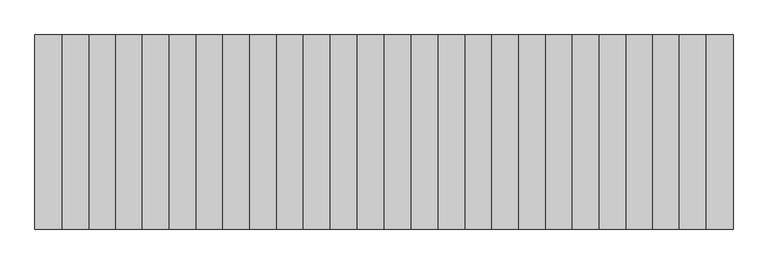
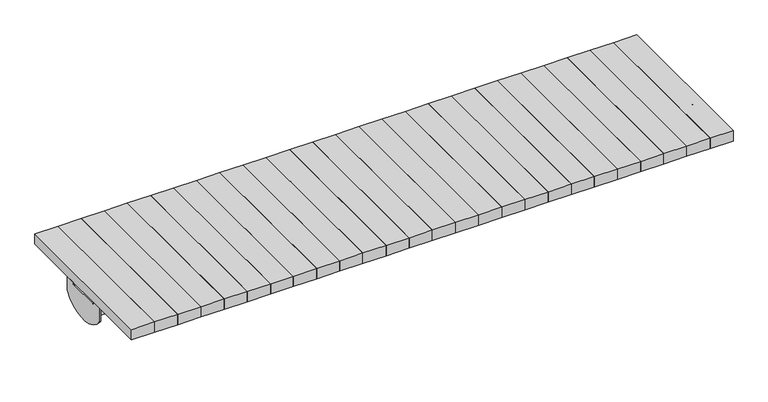
"""IFC4 building model written with IfcOpenShell, lengths in millimetres: furniture geometry."""

from ifc_helpers import new_model, si_unit, frame, origin, place, context, project, spatial, polyline, circle_curve, outline, extrude, source, transform, mapped, element, save
from ifc_brep_helpers import plane_surface, cylinder_surface, revolved_surface, advanced_brep


def furniture_fa175ec2(model_context):
    return source(origin(), model_context, "Body", "SolidModel", [
        extrude(outline(polyline([(83.1700951, 300.0), (83.1700951, -300.0), (0.0, -300.0), (0.0, 300.0), (83.1700951, 300.0)])), frame((0.0, 0.0, 400.6382749), z_axis=(0.0, 0.0, 1.0), x_axis=(1.0, 0.0, 0.0)), (0.0, 0.0, 1.0), 39.120575),
        extrude(outline(polyline([(165.5884938, 300.0), (165.5884938, -300.0), (83.1700951, -300.0), (83.1700951, 300.0), (165.5884938, 300.0)])), frame((0.0, 0.0, 400.6382749), z_axis=(0.0, 0.0, 1.0), x_axis=(1.0, 0.0, 0.0)), (0.0, 0.0, 1.0), 39.120575),
        extrude(outline(polyline([(249.0266735, 300.0), (249.0266735, -300.0), (165.5884938, -300.0), (165.5884938, 300.0), (249.0266735, 300.0)])), frame((0.0, 0.0, 400.6382749), z_axis=(0.0, 0.0, 1.0), x_axis=(1.0, 0.0, 0.0)), (0.0, 0.0, 1.0), 39.120575),
        extrude(outline(polyline([(331.8102592, 300.0), (331.8102592, -300.0), (249.0266735, -300.0), (249.0266735, 300.0), (331.8102592, 300.0)])), frame((0.0, 0.0, 400.6382749), z_axis=(0.0, 0.0, 1.0), x_axis=(1.0, 0.0, 0.0)), (0.0, 0.0, 1.0), 39.120575),
        extrude(outline(polyline([(415.2051572, 300.0), (415.2051572, -300.0), (331.8102592, -300.0), (331.8102592, 300.0), (415.2051572, 300.0)])), frame((0.0, 0.0, 400.6382749), z_axis=(0.0, 0.0, 1.0), x_axis=(1.0, 0.0, 0.0)), (0.0, 0.0, 1.0), 39.120575),
        extrude(outline(polyline([(498.7851293, 300.0), (498.7851293, -300.0), (415.2051572, -300.0), (415.2051572, 300.0), (498.7851293, 300.0)])), frame((0.0, 0.0, 400.6382749), z_axis=(0.0, 0.0, 1.0), x_axis=(1.0, 0.0, 0.0)), (0.0, 0.0, 1.0), 39.120575),
        extrude(outline(polyline([(580.2051572, 300.0), (580.2051572, -300.0), (498.7851293, -300.0), (498.7851293, 300.0), (580.2051572, 300.0)])), frame((0.0, 0.0, 400.6382749), z_axis=(0.0, 0.0, 1.0), x_axis=(1.0, 0.0, 0.0)), (0.0, 0.0, 1.0), 39.120575),
        extrude(outline(polyline([(663.7851293, 300.0), (663.7851293, -300.0), (580.2051572, -300.0), (580.2051572, 300.0), (663.7851293, 300.0)])), frame((0.0, 0.0, 400.6382749), z_axis=(0.0, 0.0, 1.0), x_axis=(1.0, 0.0, 0.0)), (0.0, 0.0, 1.0), 39.120575),
        extrude(outline(polyline([(746.8041619, 300.0), (746.8041619, -300.0), (663.7851293, -300.0), (663.7851293, 300.0), (746.8041619, 300.0)])), frame((0.0, 0.0, 400.6382749), z_axis=(0.0, 0.0, 1.0), x_axis=(1.0, 0.0, 0.0)), (0.0, 0.0, 1.0), 39.120575),
        extrude(outline(polyline([(1078.85, 300.0), (1078.85, -300.0), (996.3916762, -300.0), (996.3916762, 300.0), (1078.85, 300.0)])), frame((0.0, 0.0, 400.6382749), z_axis=(0.0, 0.0, 1.0), x_axis=(1.0, 0.0, 0.0)), (0.0, 0.0, 1.0), 39.120575),
        extrude(outline(polyline([(996.3916762, 300.0), (996.3916762, -300.0), (913.1958381, -300.0), (913.1958381, 300.0), (996.3916762, 300.0)])), frame((0.0, 0.0, 400.6382749), z_axis=(0.0, 0.0, 1.0), x_axis=(1.0, 0.0, 0.0)), (0.0, 0.0, 1.0), 39.120575),
        extrude(outline(polyline([(913.1958381, 300.0), (913.1958381, -300.0), (830.0, -300.0), (830.0, 300.0), (913.1958381, 300.0)])), frame((0.0, 0.0, 400.6382749), z_axis=(0.0, 0.0, 1.0), x_axis=(1.0, 0.0, 0.0)), (0.0, 0.0, 1.0), 39.120575),
        extrude(outline(polyline([(830.0, 300.0), (830.0, -300.0), (746.8041619, -300.0), (746.8041619, 300.0), (830.0, 300.0)])), frame((0.0, 0.0, 400.6382749), z_axis=(0.0, 0.0, 1.0), x_axis=(1.0, 0.0, 0.0)), (0.0, 0.0, 1.0), 39.120575),
        extrude(outline(polyline([(-83.1700951, 300.0), (0.0, 300.0), (0.0, -300.0), (-83.1700951, -300.0), (-83.1700951, 300.0)])), frame((0.0, 0.0, 400.6382749), z_axis=(0.0, 0.0, 1.0), x_axis=(1.0, 0.0, 0.0)), (0.0, 0.0, 1.0), 39.120575),
        extrude(outline(polyline([(-165.5884938, 300.0), (-83.1700951, 300.0), (-83.1700951, -300.0), (-165.5884938, -300.0), (-165.5884938, 300.0)])), frame((0.0, 0.0, 400.6382749), z_axis=(0.0, 0.0, 1.0), x_axis=(1.0, 0.0, 0.0)), (0.0, 0.0, 1.0), 39.120575),
        extrude(outline(polyline([(-249.0266735, 300.0), (-165.5884938, 300.0), (-165.5884938, -300.0), (-249.0266735, -300.0), (-249.0266735, 300.0)])), frame((0.0, 0.0, 400.6382749), z_axis=(0.0, 0.0, 1.0), x_axis=(1.0, 0.0, 0.0)), (0.0, 0.0, 1.0), 39.120575),
        extrude(outline(polyline([(-331.8102592, 300.0), (-249.0266735, 300.0), (-249.0266735, -300.0), (-331.8102592, -300.0), (-331.8102592, 300.0)])), frame((0.0, 0.0, 400.6382749), z_axis=(0.0, 0.0, 1.0), x_axis=(1.0, 0.0, 0.0)), (0.0, 0.0, 1.0), 39.120575),
        extrude(outline(polyline([(-415.2051572, 300.0), (-331.8102592, 300.0), (-331.8102592, -300.0), (-415.2051572, -300.0), (-415.2051572, 300.0)])), frame((0.0, 0.0, 400.6382749), z_axis=(0.0, 0.0, 1.0), x_axis=(1.0, 0.0, 0.0)), (0.0, 0.0, 1.0), 39.120575),
        extrude(outline(polyline([(-498.7851293, 300.0), (-415.2051572, 300.0), (-415.2051572, -300.0), (-498.7851293, -300.0), (-498.7851293, 300.0)])), frame((0.0, 0.0, 400.6382749), z_axis=(0.0, 0.0, 1.0), x_axis=(1.0, 0.0, 0.0)), (0.0, 0.0, 1.0), 39.120575),
        extrude(outline(polyline([(-580.2051572, 300.0), (-498.7851293, 300.0), (-498.7851293, -300.0), (-580.2051572, -300.0), (-580.2051572, 300.0)])), frame((0.0, 0.0, 400.6382749), z_axis=(0.0, 0.0, 1.0), x_axis=(1.0, 0.0, 0.0)), (0.0, 0.0, 1.0), 39.120575),
        extrude(outline(polyline([(-663.7851293, 300.0), (-580.2051572, 300.0), (-580.2051572, -300.0), (-663.7851293, -300.0), (-663.7851293, 300.0)])), frame((0.0, 0.0, 400.6382749), z_axis=(0.0, 0.0, 1.0), x_axis=(1.0, 0.0, 0.0)), (0.0, 0.0, 1.0), 39.120575),
        extrude(outline(polyline([(-746.8041619, 300.0), (-663.7851293, 300.0), (-663.7851293, -300.0), (-746.8041619, -300.0), (-746.8041619, 300.0)])), frame((0.0, 0.0, 400.6382749), z_axis=(0.0, 0.0, 1.0), x_axis=(1.0, 0.0, 0.0)), (0.0, 0.0, 1.0), 39.120575),
        extrude(outline(polyline([(-1078.85, 300.0), (-996.3916762, 300.0), (-996.3916762, -300.0), (-1078.85, -300.0), (-1078.85, 300.0)])), frame((0.0, 0.0, 400.6382749), z_axis=(0.0, 0.0, 1.0), x_axis=(1.0, 0.0, 0.0)), (0.0, 0.0, 1.0), 39.120575),
        extrude(outline(polyline([(-996.3916762, 300.0), (-913.1958381, 300.0), (-913.1958381, -300.0), (-996.3916762, -300.0), (-996.3916762, 300.0)])), frame((0.0, 0.0, 400.6382749), z_axis=(0.0, 0.0, 1.0), x_axis=(1.0, 0.0, 0.0)), (0.0, 0.0, 1.0), 39.120575),
        extrude(outline(polyline([(-913.1958381, 300.0), (-830.0, 300.0), (-830.0, -300.0), (-913.1958381, -300.0), (-913.1958381, 300.0)])), frame((0.0, 0.0, 400.6382749), z_axis=(0.0, 0.0, 1.0), x_axis=(1.0, 0.0, 0.0)), (0.0, 0.0, 1.0), 39.120575),
        extrude(outline(polyline([(-830.0, 300.0), (-746.8041619, 300.0), (-746.8041619, -300.0), (-830.0, -300.0), (-830.0, 300.0)])), frame((0.0, 0.0, 400.6382749), z_axis=(0.0, 0.0, 1.0), x_axis=(1.0, 0.0, 0.0)), (0.0, 0.0, 1.0), 39.120575),
        advanced_brep(
        [(1073.85, 60.5127939, 394.6382749), (1073.85, 61.5127939, 395.6382749), (1073.85, 62.4995198, 395.6382749), (1073.85, 62.4995198, 400.6382749), (1073.85, 61.5127939, 400.6382749), (1073.85, 55.5127939, 394.6382749), (1073.85, 55.5127939, 393.1147491), (1073.85, 60.5127939, 393.1147491), (-1078.85, 55.5127939, 394.6382749), (-1078.85, 61.5127939, 400.6382749), (-1078.85, 99.9995198, 400.6382749), (-1078.85, 100.0, 347.7588499), (-1078.85, -100.0, 347.7588499), (-1078.85, -100.0, 400.6382749), (-1078.85, -61.5132741, 400.6382749), (-1078.85, -55.5132741, 394.6382749), (-1078.85, -55.5132741, 393.1147491), (-1078.85, 55.5127939, 393.1147491), (-1078.85, 62.4995198, 395.6382749), (-1078.85, 61.5127939, 395.6382749), (-1078.85, 60.5127939, 394.6382749), (-1078.85, 60.5127939, 393.1147491), (-1078.85, 62.4995198, 393.1147491), (-1078.85, -60.5132741, 394.6382749), (-1078.85, -61.5132741, 395.6382749), (-1078.85, -62.5, 395.6382749), (-1078.85, -62.5, 393.1147491), (-1078.85, -60.5132741, 393.1147491), (1073.85, 55.5127939, 340.151549), (-1073.85, 55.5127939, 340.151549), (-1073.85, 60.5127939, 340.151549), (1073.85, 60.5127939, 340.151549), (-1073.85, 55.5127939, 393.1147491), (1078.85, 62.4995198, 400.6382749), (1078.85, 99.9995198, 400.6382749), (-1073.85, 62.4995198, 395.6382749), (-1073.85, 99.9995198, 395.6382749), (1073.85, 99.9995198, 395.6382749), (-1073.85, 60.5127939, 393.1147491), (1073.85, -100.0, 347.7588499), (1078.85, -100.0, 347.7588499), (1078.85, -100.0, 400.6382749), (-1073.85, -100.0, 347.7588499), (-1073.85, -100.0, 395.6382749), (1073.85, -100.0, 395.6382749), (-1073.85, -62.5, 395.6382749), (-1073.85, -62.5, 393.1147491), (1078.85, -62.5, 400.6382749), (1078.85, -62.5, 393.1147491), (1073.85, -62.5, 393.1147491), (1073.85, -62.5, 395.6382749), (1073.85, -62.5, 400.6382749), (1073.85, -61.5132741, 400.6382749), (1073.85, -61.5132741, 395.6382749), (-1073.85, 100.0, 347.7588499), (-1073.85, 62.4995198, 393.1147491), (-1073.85, -55.5132741, 393.1147491), (-1073.85, -55.5132741, 340.151549), (-1073.85, -60.5132741, 340.151549), (-1073.85, -60.5132741, 393.1147491), (1073.85, -55.5132741, 394.6382749), (1073.85, -60.5132741, 394.6382749), (1073.85, -60.5132741, 393.1147491), (1073.85, -55.5132741, 393.1147491), (1073.85, -60.5132741, 340.151549), (1073.85, -55.5132741, 340.151549), (1078.85, 99.9995198, 347.7588499), (1073.85, 99.9995198, 347.7588499), (1073.85, 62.4995198, 393.1147491), (1078.85, 62.4995198, 393.1147491)],
        [
            (0, 1, circle_curve(frame((1073.85, 61.5127939, 394.6382749), z_axis=(-1.0, 0.0, 0.0), x_axis=(0.0, 1.0, 0.0)), 1.0)),
            (1, 2),
            (2, 3),
            (3, 4),
            (4, 5, circle_curve(frame((1073.85, 61.5127939, 394.6382749), z_axis=(1.0, 0.0, 0.0), x_axis=(0.0, 1.0, 0.0)), 6.0)),
            (5, 6),
            (6, 7),
            (7, 0),
            (8, 9, circle_curve(frame((-1078.85, 61.5127939, 394.6382749), z_axis=(-1.0, 0.0, 0.0), x_axis=(0.0, 1.0, 0.0)), 6.0)),
            (9, 10),
            (10, 11),
            (11, 12, circle_curve(frame((-1078.85, 0.0, 421.080061), z_axis=(-1.0, 0.0, 0.0), x_axis=(0.0, -0.8064516129032312, -0.5913000896717141)), 124.0)),
            (12, 13),
            (13, 14),
            (14, 15, circle_curve(frame((-1078.85, -61.5132741, 394.6382749), z_axis=(-1.0, 0.0, 0.0), x_axis=(0.0, -1.0, 0.0)), 6.0)),
            (15, 16),
            (16, 17),
            (17, 8),
            (18, 19),
            (19, 20, circle_curve(frame((-1078.85, 61.5127939, 394.6382749), z_axis=(1.0, 0.0, 0.0), x_axis=(0.0, 1.0, 0.0)), 1.0)),
            (20, 21),
            (21, 22),
            (22, 18),
            (23, 24, circle_curve(frame((-1078.85, -61.5132741, 394.6382749), z_axis=(1.0, 0.0, 0.0), x_axis=(0.0, -1.0, 0.0)), 1.0)),
            (24, 25),
            (25, 26),
            (26, 27),
            (27, 23),
            (28, 29),
            (29, 30),
            (30, 31),
            (31, 28),
            (5, 8),
            (17, 32),
            (32, 29),
            (28, 6),
            (4, 9),
            (3, 33),
            (33, 34),
            (34, 10),
            (1, 19),
            (18, 35),
            (35, 36),
            (36, 37),
            (37, 2),
            (0, 20),
            (7, 31),
            (30, 38),
            (38, 21),
            (39, 40),
            (40, 41),
            (41, 13),
            (12, 42),
            (42, 43),
            (43, 44),
            (44, 39),
            (45, 46),
            (46, 26),
            (25, 45),
            (47, 48),
            (48, 49),
            (49, 50),
            (50, 51),
            (51, 47),
            (41, 47),
            (51, 52),
            (52, 14),
            (43, 45),
            (24, 53),
            (53, 50),
            (50, 44),
            (42, 54, circle_curve(frame((-1073.85, 0.0, 421.080061), z_axis=(1.0, 0.0, 0.0), x_axis=(0.0, -0.8064516129032312, -0.5913000896717141)), 124.0)),
            (54, 36),
            (35, 55),
            (55, 38),
            (32, 56),
            (56, 57),
            (57, 58),
            (58, 59),
            (59, 46),
            (60, 52, circle_curve(frame((1073.85, -61.5132741, 394.6382749), z_axis=(1.0, 0.0, 0.0), x_axis=(0.0, -1.0, 0.0)), 6.0)),
            (53, 61, circle_curve(frame((1073.85, -61.5132741, 394.6382749), z_axis=(-1.0, 0.0, 0.0), x_axis=(0.0, -1.0, 0.0)), 1.0)),
            (61, 62),
            (62, 63),
            (63, 60),
            (64, 58),
            (57, 65),
            (65, 64),
            (15, 60),
            (63, 65),
            (56, 16),
            (23, 61),
            (27, 59),
            (64, 62),
            (54, 11),
            (34, 66),
            (66, 67),
            (67, 37),
            (22, 55),
            (2, 68),
            (68, 69),
            (69, 33),
            (49, 62),
            (63, 6),
            (7, 68),
            (67, 39, circle_curve(frame((1073.85, 0.0, 421.080061), z_axis=(-1.0, 0.0, 0.0), x_axis=(0.0, -0.8064516129032312, -0.5913000896717141)), 124.0)),
            (40, 66, circle_curve(frame((1078.85, 0.0, 421.080061), z_axis=(1.0, 0.0, 0.0), x_axis=(0.0, -0.8064516129032312, -0.5913000896717141)), 124.0)),
            (69, 48),
        ],
        [
            plane_surface(frame((1073.85, 60.5127939, 394.6382749), z_axis=(1.0, 0.0, 0.0), x_axis=(0.0, 0.0, 1.0))),
            plane_surface(frame((-1078.85, 60.5127939, 394.6382749), z_axis=(-1.0, 0.0, 0.0), x_axis=(0.0, 0.0, -1.0))),
            plane_surface(frame((1073.85, 55.5127939, 340.151549), z_axis=(0.0, 0.0, -1.0), x_axis=(-1.0, 0.0, 0.0))),
            plane_surface(frame((1073.85, 55.5127939, 394.6382749), z_axis=(0.0, -1.0, 0.0), x_axis=(-1.0, 0.0, 0.0))),
            cylinder_surface(frame((-1078.85, 61.5127939, 394.6382749), z_axis=(1.0, 0.0, 0.0), x_axis=(0.0, 1.0, 0.0)), 6.0),
            plane_surface(frame((1073.85, 62.4995198, 400.6382749), z_axis=(0.0, 0.0, 1.0), x_axis=(-1.0, 0.0, 0.0))),
            plane_surface(frame((1073.85, 61.5127939, 395.6382749), z_axis=(0.0, 0.0, -1.0), x_axis=(-1.0, 0.0, 0.0))),
            revolved_surface(polyline([(-1078.85, 62.5127939, 394.6382749), (1073.85, 62.5127939, 394.6382749)]), (-1078.85, 61.5127939, 394.6382749), (-1.0, 0.0, 0.0)),
            plane_surface(frame((1073.85, 60.5127939, 340.151549), z_axis=(0.0, 1.0, 0.0), x_axis=(-1.0, 0.0, 0.0))),
            plane_surface(frame((1073.85, -100.0, 393.1147491), z_axis=(0.0, -1.0, 0.0), x_axis=(0.0, 0.0, -1.0))),
            plane_surface(frame((1073.85, -62.5, 393.1147491), z_axis=(0.0, 1.0, 0.0), x_axis=(0.0, 0.0, 1.0))),
            plane_surface(frame((1078.85, -100.0, 400.6382749), z_axis=(0.0, 0.0, 1.0), x_axis=(0.0, 1.0, 0.0))),
            plane_surface(frame((-1073.85, -100.0, 395.6382749), z_axis=(0.0, 0.0, -1.0), x_axis=(0.0, 1.0, 0.0))),
            plane_surface(frame((-1073.85, -100.0, 393.1147491), z_axis=(1.0, 0.0, 0.0), x_axis=(0.0, 1.0, 0.0))),
            plane_surface(frame((1073.85, -60.5132741, 340.151549), z_axis=(1.0, 0.0, 0.0), x_axis=(0.0, 1.0, 0.0))),
            plane_surface(frame((1073.85, -60.5132741, 340.151549), z_axis=(0.0, 0.0, -1.0), x_axis=(-1.0, 0.0, 0.0))),
            plane_surface(frame((1073.85, -55.5132741, 340.151549), z_axis=(0.0, 1.0, 0.0), x_axis=(-1.0, 0.0, 0.0))),
            cylinder_surface(frame((-1078.85, -61.5132741, 394.6382749), z_axis=(1.0, 0.0, 0.0), x_axis=(0.0, -1.0, 0.0)), 6.0),
            revolved_surface(polyline([(-1078.85, -62.5132741, 394.6382749), (1073.85, -62.5132741, 394.6382749)]), (-1078.85, -61.5132741, 394.6382749), (-1.0, 0.0, 0.0)),
            plane_surface(frame((1073.85, -60.5132741, 394.6382749), z_axis=(0.0, -1.0, 0.0), x_axis=(-1.0, 0.0, 0.0))),
            plane_surface(frame((-825.879425, 99.9995198, 395.6382749), z_axis=(0.0, 1.0, 0.0), x_axis=(-1.0, 0.0, 0.0))),
            plane_surface(frame((-825.879425, 62.4995198, 395.6382749), z_axis=(0.0, -1.0, 0.0), x_axis=(1.0, 0.0, 0.0))),
            plane_surface(frame((-1073.85, 100.0, 393.1147491), z_axis=(0.0, 0.0, 1.0), x_axis=(-1.0, 0.0, 0.0))),
            cylinder_surface(frame((-1078.85, 0.0, 421.080061), z_axis=(1.0000000000000002, 0.0, 0.0), x_axis=(0.0, -0.8064516129032312, -0.5913000896717141)), 124.0),
            plane_surface(frame((1073.85, -100.0, 395.6382749), z_axis=(-1.0, 0.0, 0.0), x_axis=(0.0, 1.0, 0.0))),
            plane_surface(frame((1078.85, -100.0, 393.1147491), z_axis=(1.0, 0.0, 0.0), x_axis=(0.0, 1.0, 0.0))),
            plane_surface(frame((1073.85, -100.0, 393.1147491), z_axis=(0.0, 0.0, 1.0), x_axis=(1.0, 0.0, 0.0))),
            cylinder_surface(frame((1078.85, 0.0, 421.080061), z_axis=(-1.0000000000000002, 0.0, 0.0), x_axis=(0.0, -0.8064516129032312, -0.5913000896717141)), 124.0),
        ],
        [
            (0, [[1, 2, 3, 4, 5, 6, 7, 8]]),
            (1, [[9, 10, 11, 12, 13, 14, 15, 16, 17, 18], [19, 20, 21, 22, 23], [24, 25, 26, 27, 28]]),
            (2, [[29, 30, 31, 32]]),
            (3, [[33, -18, 34, 35, -29, 36, -6]]),
            (4, [[-5, 37, -9, -33]]),
            (5, [[-4, 38, 39, 40, -10, -37]]),
            (6, [[-2, 41, -19, 42, 43, 44, 45]]),
            (7, [[-1, 46, -20, -41]]),
            (8, [[-46, -8, 47, -31, 48, 49, -21]]),
            (9, [[50, 51, 52, -13, 53, 54, 55, 56]]),
            (10, [[57, 58, -26, 59]]),
            (10, [[60, 61, 62, 63, 64]]),
            (11, [[-52, 65, -64, 66, 67, -14]]),
            (12, [[-55, 68, -59, -25, 69, 70, 71]]),
            (13, [[-57, -68, -54, 72, 73, -43, 74, 75, -48, -30, -35, 76, 77, 78, 79, 80]]),
            (14, [[81, -66, -63, -70, 82, 83, 84, 85]]),
            (15, [[86, -78, 87, 88]]),
            (16, [[89, -85, 90, -87, -77, 91, -16]]),
            (17, [[-81, -89, -15, -67]]),
            (18, [[-82, -69, -24, 92]]),
            (19, [[-92, -28, 93, -79, -86, 94, -83]]),
            (20, [[-44, -73, 95, -11, -40, 96, 97, 98]]),
            (21, [[-74, -42, -23, 99]]),
            (21, [[100, 101, 102, -38, -3]]),
            (22, [[-17, -91, -76, -34]]),
            (22, [[-22, -49, -75, -99]]),
            (22, [[-27, -58, -80, -93]]),
            (23, [[-72, -53, -12, -95]]),
            (24, [[-56, -71, -62, 103, -94, -88, -90, 104, -36, -32, -47, 105, -100, -45, -98, 106]]),
            (25, [[-51, 107, -96, -39, -102, 108, -60, -65]]),
            (26, [[-104, -84, -103, -61, -108, -101, -105, -7]]),
            (27, [[-106, -97, -107, -50]]),
        ],
    ),
    ])


if __name__ == "__main__":
    model = new_model("IFC4")
    model_context = context("Model", 3, world=origin())
    ifc_project = project(units=[si_unit("LENGTHUNIT", "METRE", prefix="MILLI")], contexts=[model_context])
    site = spatial("IfcSite", under=ifc_project)
    building = spatial("IfcBuilding", under=site)
    placement = place(None, origin())
    furniture_shape = furniture_fa175ec2(model_context)
    element("IfcFurniture", 1, at=placement, inside=building, context=model_context, shape_type="MappedRepresentation", body=[
        mapped(furniture_shape, transform((0.0, 0.0, 0.0), x_axis=(1.0, 0.0, 0.0), y_axis=(0.0, 1.0, 0.0), z_axis=(0.0, 0.0, 1.0))),
    ])
    save(model, "model.ifc")
